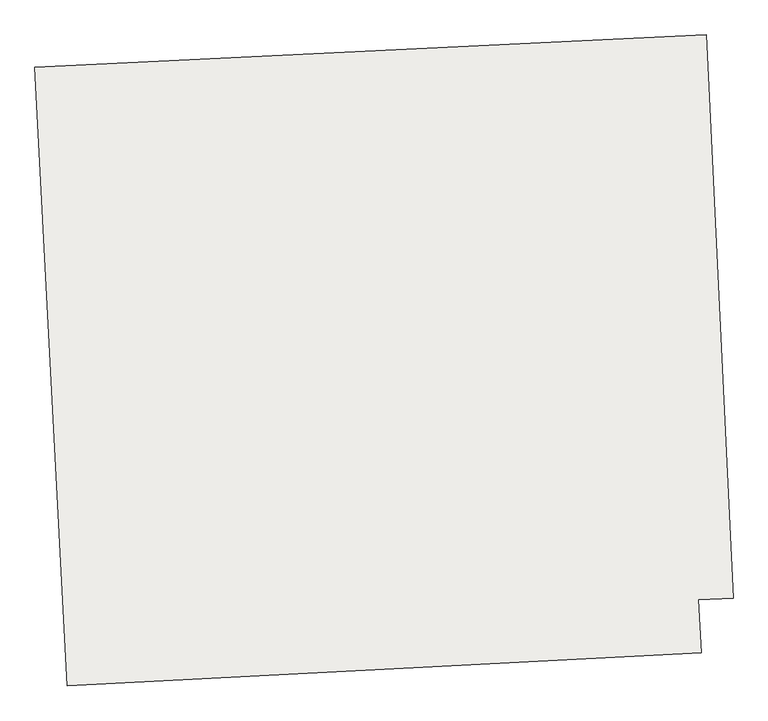
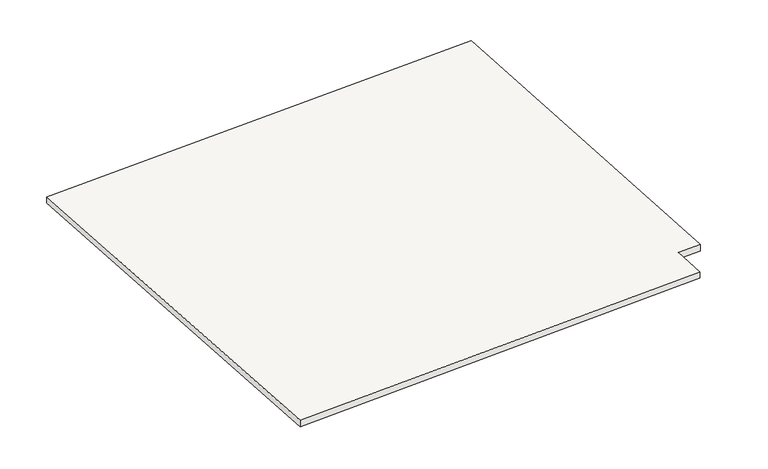
"""IFC4 building model written with IfcOpenShell, lengths in millimetres: slab geometry."""

from ifc_helpers import new_model, si_unit, frame, origin, place, context, project, spatial, polyline, outline, extrude, source, transform, mapped, element, save


def slab_d3ecb9a5(model_context):
    return source(origin(), model_context, "Body", "SweptSolid", [
        extrude(outline(polyline([(-112635.7602014, 125264.7823688), (-112698.6802863, 126472.0937479), (-111388.9817087, 126534.7256828), (-111336.4379508, 125435.9813297), (-111404.09305, 125432.7459519), (-111398.6994178, 125329.2528698), (-112635.7602014, 125264.7823688)])), frame((0.0, 0.0, -4122.0), z_axis=(0.0, 0.0, 1.0), x_axis=(1.0, 0.0, 0.0)), (0.0, 0.0, 1.0), 20.0),
    ])


if __name__ == "__main__":
    model = new_model("IFC4")
    model_context = context("Model", 3, world=origin())
    ifc_project = project(units=[si_unit("LENGTHUNIT", "METRE", prefix="MILLI")], contexts=[model_context])
    site = spatial("IfcSite", under=ifc_project)
    building = spatial("IfcBuilding", under=site)
    placement = place(None, origin())
    slab_shape = slab_d3ecb9a5(model_context)
    element("IfcSlab", 1, at=placement, inside=building, context=model_context, shape_type="MappedRepresentation", body=[
        mapped(slab_shape, transform((0.0, 0.0, 0.0), x_axis=(1.0, 0.0, 0.0), y_axis=(0.0, 1.0, 0.0), z_axis=(0.0, 0.0, 1.0))),
    ])
    save(model, "model.ifc")
